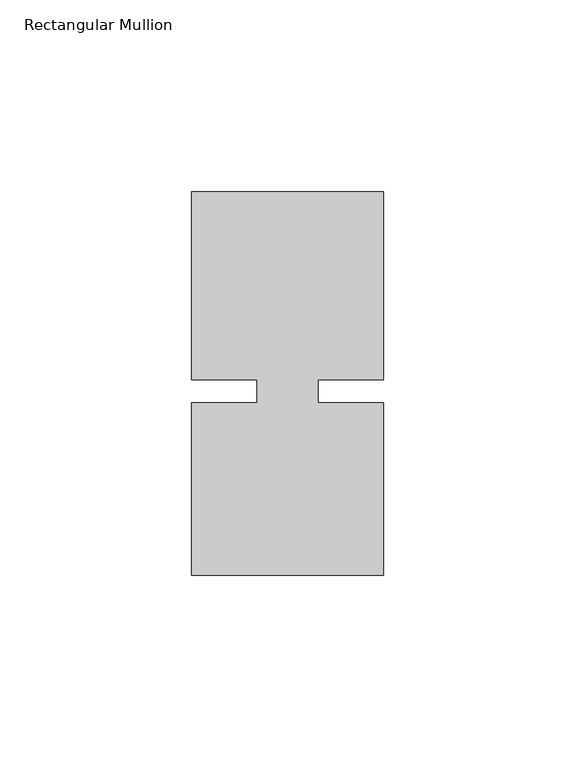
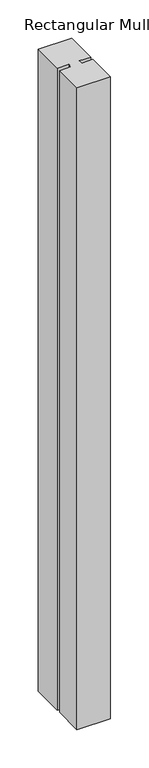
"""IFC4 building model written with IfcOpenShell, lengths in millimetres: member geometry, Rectangular Mullion."""

from ifc_helpers import new_model, si_unit, frame, origin, place, context, project, spatial, polyline, outline, extrude, source, transform, mapped, element, save


def rectangular_mullion_d2cce948(model_context):
    return source(origin(), model_context, "Body", "SweptSolid", [
        extrude(outline(polyline([(8.0004618, -3.0000161), (25.0, -3.000024), (24.9999791, -48.000024), (-25.0000209, -48.0000007), (-25.0, -3.0000007), (-8.0004617, -3.0000086), (-8.0004589, 3.0000086), (-24.9999972, 3.0000166), (-24.9999743, 51.9999993), (25.0000011, 51.9999711), (24.9999734, 2.9999933), (8.0004646, 3.0000012), (8.0004618, -3.0000161)])), frame((0.0, 0.0, -1018.5412387), z_axis=(0.0, 0.0, 1.0), x_axis=(1.0, 0.0, 0.0)), (0.0, 0.0, 1.0), 1018.5412387),
    ])


if __name__ == "__main__":
    model = new_model("IFC4")
    model_context = context("Model", 3, world=origin())
    ifc_project = project(units=[si_unit("LENGTHUNIT", "METRE", prefix="MILLI")], contexts=[model_context])
    site = spatial("IfcSite", under=ifc_project)
    building = spatial("IfcBuilding", under=site)
    placement = place(None, origin())
    rectangular_mullion_shape = rectangular_mullion_d2cce948(model_context)
    element("IfcMember", 1, ObjectType="Rectangular Mullion", at=placement, inside=building, context=model_context, shape_type="MappedRepresentation", body=[
        mapped(rectangular_mullion_shape, transform((0.0, 0.0, 0.0), x_axis=(1.0, 0.0, 0.0), y_axis=(0.0, 1.0, 0.0), z_axis=(0.0, 0.0, 1.0))),
    ])
    save(model, "model.ifc")
